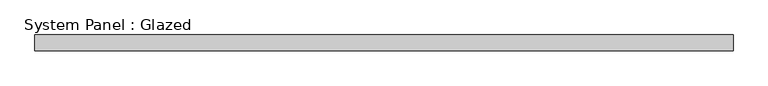
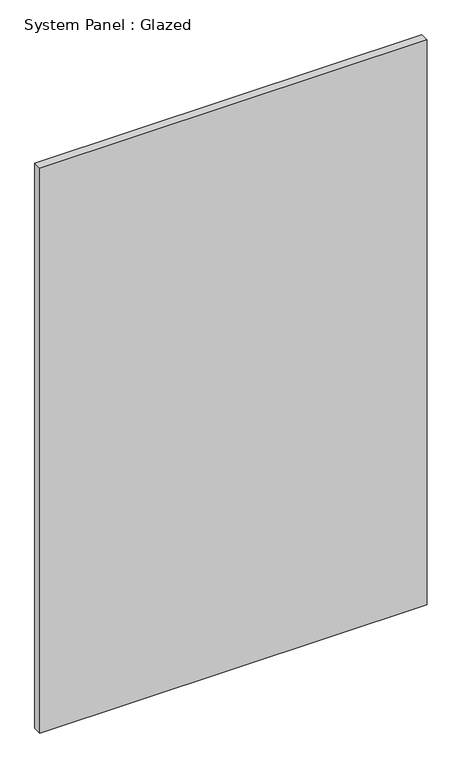
"""IFC4 building model written with IfcOpenShell, lengths in millimetres: plate geometry, System Panel : Glazed."""

from ifc_helpers import new_model, si_unit, origin, origin_with_axes, place, context, project, spatial, polyline, outline, extrude, source, transform, mapped, element, save


def system_panel_glazed_3f9e8525(model_context):
    return source(origin(), model_context, "Body", "SweptSolid", [
        extrude(outline(polyline([(561.975, -44.45), (-561.975, -44.45), (-561.975, -19.05), (561.975, -19.05), (561.975, -44.45)])), origin_with_axes(), (0.0, 0.0, 1.0), 1733.55),
    ])


if __name__ == "__main__":
    model = new_model("IFC4")
    model_context = context("Model", 3, world=origin())
    ifc_project = project(units=[si_unit("LENGTHUNIT", "METRE", prefix="MILLI")], contexts=[model_context])
    site = spatial("IfcSite", under=ifc_project)
    building = spatial("IfcBuilding", under=site)
    placement = place(None, origin())
    system_panel_glazed_shape = system_panel_glazed_3f9e8525(model_context)
    element("IfcPlate", 1, ObjectType="System Panel : Glazed", at=placement, inside=building, context=model_context, shape_type="MappedRepresentation", body=[
        mapped(system_panel_glazed_shape, transform((0.0, 0.0, 0.0), x_axis=(1.0, 0.0, 0.0), y_axis=(0.0, 1.0, 0.0), z_axis=(0.0, 0.0, 1.0))),
    ])
    save(model, "model.ifc")
